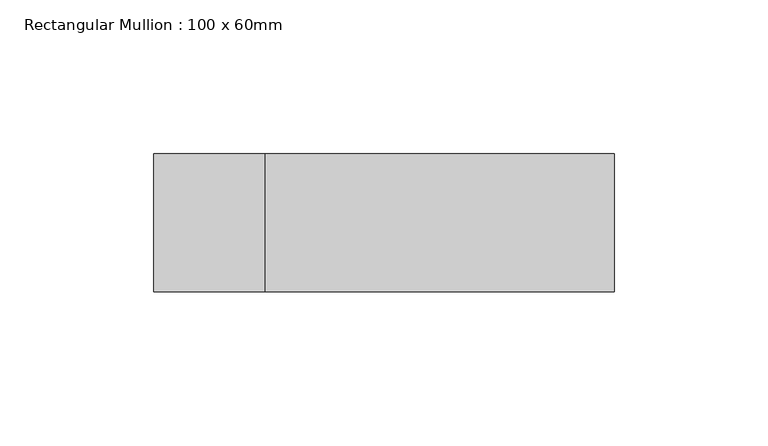
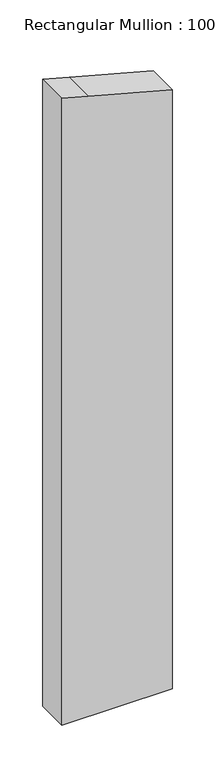
"""IFC4 building model written with IfcOpenShell, lengths in millimetres: member geometry, Rectangular Mullion : 100 x 60mm."""

from ifc_helpers import new_model, si_unit, frame, origin, place, context, project, spatial, polyline, outline, extrude, source, transform, mapped, element, save


def rectangular_mullion_100_x_60mm_38d2ea03(model_context):
    return source(origin(), model_context, "Body", "SweptSolid", [
        extrude(outline(polyline([(-175.3876165, 75.0), (-144.8888739, -38.8228568), (-135.1952376, -75.0), (-1035.2761804, -75.0), (-1035.2761804, 75.0), (-175.3876165, 75.0)])), frame((0.0, -30.0, 0.0), z_axis=(0.0, 1.0, 0.0), x_axis=(0.0, 0.0, 1.0)), (0.0, 0.0, 1.0), 45.0),
    ])


if __name__ == "__main__":
    model = new_model("IFC4")
    model_context = context("Model", 3, world=origin())
    ifc_project = project(units=[si_unit("LENGTHUNIT", "METRE", prefix="MILLI")], contexts=[model_context])
    site = spatial("IfcSite", under=ifc_project)
    building = spatial("IfcBuilding", under=site)
    placement = place(None, origin())
    rectangular_mullion_100_x_60mm_shape = rectangular_mullion_100_x_60mm_38d2ea03(model_context)
    element("IfcMember", 1, ObjectType="Rectangular Mullion : 100 x 60mm", at=placement, inside=building, context=model_context, shape_type="MappedRepresentation", body=[
        mapped(rectangular_mullion_100_x_60mm_shape, transform((0.0, 0.0, 0.0), x_axis=(1.0, 0.0, 0.0), y_axis=(0.0, 1.0, 0.0), z_axis=(0.0, 0.0, 1.0))),
    ])
    save(model, "model.ifc")
